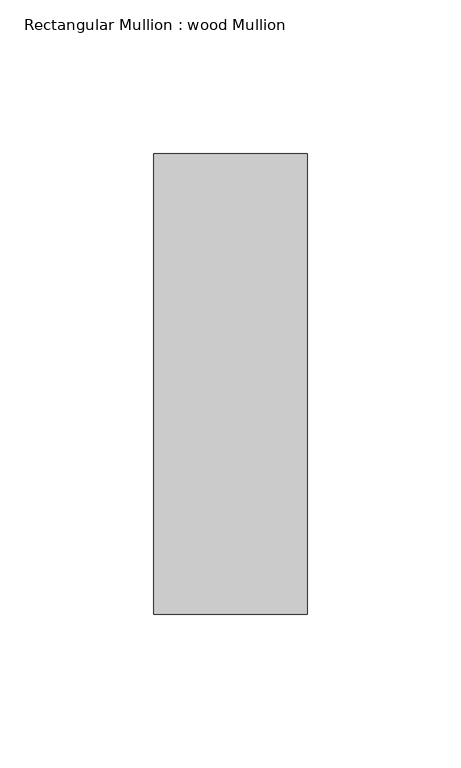
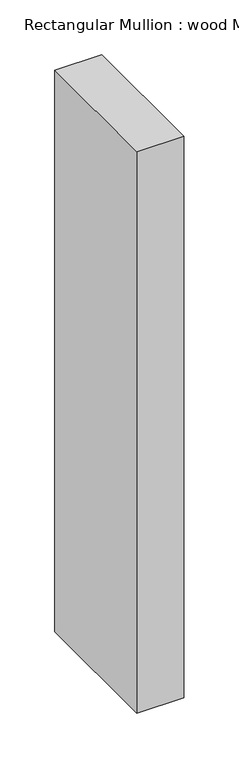
"""IFC4 building model written with IfcOpenShell, lengths in millimetres: member geometry, Rectangular Mullion : wood Mullion."""

import ifcopenshell
import ifcopenshell.guid

model = None  # the IFC model being written
_history = None  # IfcOwnerHistory: only IFC2X3 demands one
_inside = {}  # id of a spatial element -> (the spatial element, [elements in it])
_under = {}  # id of a project, library or spatial element -> (it, [spatial elements below it])
_declared = {}  # id of a project -> (the project, [libraries it declares])
_typed = {}  # id of a type object -> (the type object, [elements of that type])
_made_of = {}  # id of a material, layer set ... -> (it, [elements and type objects made of it])


def new_model(schema):
    """Start an empty IFC model of exactly this schema.

    Asked for "IFC4X3", IfcOpenShell would pick the latest addendum, in which some entities
    have other attributes; the version numbers below select the first issue.
    IFC2X3 requires an IfcOwnerHistory on every rooted entity: one is made here for all.
    """
    global model, _history
    if schema == "IFC4X3":
        model = ifcopenshell.file(schema_version=(4, 3, 0, 0))
    else:
        model = ifcopenshell.file(schema=schema)
    _inside.clear()
    _under.clear()
    _declared.clear()
    _typed.clear()
    _made_of.clear()
    _history = None
    if model.schema == "IFC2X3":
        org = make("IfcOrganization", Name="unknown")
        user = make(
            "IfcPersonAndOrganization",
            ThePerson=make("IfcPerson", FamilyName="unknown"),
            TheOrganization=org,
        )
        app = make(
            "IfcApplication",
            ApplicationDeveloper=org,
            Version="unknown",
            ApplicationFullName="unknown",
            ApplicationIdentifier="unknown",
        )
        _history = make(
            "IfcOwnerHistory",
            OwningUser=user,
            OwningApplication=app,
            ChangeAction="ADDED",
            CreationDate=0,
        )
    return model


def make(cls, **values):
    """One entity of the class cls with the attributes given. An attribute that is None is left unset."""
    return model.create_entity(
        cls, **{name: value for name, value in values.items() if value is not None}
    )


def rooted(cls, **values):
    """An entity with a GlobalId (a new one), such as an element, a storey or a relation."""
    return make(cls, GlobalId=ifcopenshell.guid.new(), OwnerHistory=_history, **values)


def si_unit(unit_type, name, prefix=None):
    """IfcSIUnit, for example si_unit("LENGTHUNIT", "METRE", prefix="MILLI")."""
    return make("IfcSIUnit", UnitType=unit_type, Prefix=prefix, Name=name)


def assignment(units):
    """IfcUnitAssignment: the units of a project."""
    return None if units is None else make("IfcUnitAssignment", Units=units)


def point(xyz):
    """IfcCartesianPoint."""
    return None if xyz is None else make("IfcCartesianPoint", Coordinates=xyz)


def direction(xyz):
    """IfcDirection."""
    return None if xyz is None else make("IfcDirection", DirectionRatios=xyz)


def frame(location, z_axis=None, x_axis=None):
    """IfcAxis2Placement3D, a coordinate frame: its origin and axes. An axis left out is left unset."""
    return make(
        "IfcAxis2Placement3D",
        Location=point(location),
        Axis=direction(z_axis),
        RefDirection=direction(x_axis),
    )


def origin():
    """The frame at (0, 0, 0) with its axes left unset."""
    return frame((0.0, 0.0, 0.0))


def place(relative_to, where):
    """IfcLocalPlacement: puts the frame where relative to a parent placement (None: the world)."""
    return make(
        "IfcLocalPlacement", PlacementRelTo=relative_to, RelativePlacement=where
    )


def context(
    kind, dimensions, precision=None, world=None, true_north=None, identifier=None
):
    """IfcGeometricRepresentationContext, for example the 3D "Model" context."""
    return make(
        "IfcGeometricRepresentationContext",
        ContextIdentifier=identifier,
        ContextType=kind,
        CoordinateSpaceDimension=dimensions,
        Precision=precision,
        WorldCoordinateSystem=world,
        TrueNorth=true_north,
    )


def project(units=None, contexts=None):
    """IfcProject with its units and contexts."""
    return rooted(
        "IfcProject",
        Name="project",
        RepresentationContexts=contexts,
        UnitsInContext=assignment(units),
    )


def spatial(cls, under=None, at=None, **own):
    """A site, building, storey or space (cls), placed at a placement, below another one or the project."""
    s = rooted(cls, ObjectPlacement=at, **own)
    if under is not None:
        _under.setdefault(under.id(), (under, []))[1].append(s)
    return s


def polyline(points):
    """IfcPolyline through the points."""
    return make("IfcPolyline", Points=[point(p) for p in points])


def outline(outer, holes=None, kind="AREA"):
    """IfcArbitraryClosedProfileDef: a profile drawn as a closed curve; with holes, ...WithVoids."""
    if holes is None:
        return make("IfcArbitraryClosedProfileDef", ProfileType=kind, OuterCurve=outer)
    return make(
        "IfcArbitraryProfileDefWithVoids",
        ProfileType=kind,
        OuterCurve=outer,
        InnerCurves=holes,
    )


def extrude(swept, where, along, depth):
    """IfcExtrudedAreaSolid: the profile swept, set in the frame where, extruded along a direction by depth."""
    return make(
        "IfcExtrudedAreaSolid",
        SweptArea=swept,
        Position=where,
        ExtrudedDirection=direction(along),
        Depth=depth,
    )


def shape(context_of_items, identifier, shape_type, items):
    """IfcShapeRepresentation: the items that make up one representation, for example the "Body"."""
    return make(
        "IfcShapeRepresentation",
        ContextOfItems=context_of_items,
        RepresentationIdentifier=identifier,
        RepresentationType=shape_type,
        Items=items,
    )


def source(mapping_origin, context_of_items, identifier, shape_type, items):
    """IfcRepresentationMap: a shape defined once, which mapped items show again and again."""
    return make(
        "IfcRepresentationMap",
        MappingOrigin=mapping_origin,
        MappedRepresentation=shape(context_of_items, identifier, shape_type, items),
    )


def transform(
    local_origin,
    x_axis=None,
    y_axis=None,
    z_axis=None,
    scale=None,
    scale2=None,
    scale3=None,
    uniform=True,
):
    """IfcCartesianTransformationOperator3D, or its non-uniform kind. x_axis, y_axis, z_axis: its Axis1, 2, 3."""
    if uniform:
        return make(
            "IfcCartesianTransformationOperator3D",
            Axis1=direction(x_axis),
            Axis2=direction(y_axis),
            LocalOrigin=point(local_origin),
            Scale=scale,
            Axis3=direction(z_axis),
        )
    return make(
        "IfcCartesianTransformationOperator3DnonUniform",
        Axis1=direction(x_axis),
        Axis2=direction(y_axis),
        LocalOrigin=point(local_origin),
        Scale=scale,
        Axis3=direction(z_axis),
        Scale2=scale2,
        Scale3=scale3,
    )


def mapped(mapping_source, mapping_target):
    """IfcMappedItem: shows the shape of a source again, moved by a transform."""
    return make(
        "IfcMappedItem", MappingSource=mapping_source, MappingTarget=mapping_target
    )


def made_of(thing, what):
    """Note that an element or type object is made of a material, layer set ...; save() writes the relation."""
    if what is not None:
        _made_of.setdefault(what.id(), (what, []))[1].append(thing)
    return thing


def element(
    cls,
    number,
    at=None,
    inside=None,
    cuts=None,
    type_object=None,
    material=None,
    context=None,
    identifier="Body",
    shape_type=None,
    held_by="IfcProductDefinitionShape",
    body=None,
    shapes=None,
    **own,
):
    """One element of the class cls, such as IfcWall. Its Tag is "e" and its number.

    at: its placement. inside: the storey or other place that contains it. cuts: it is an
    opening in that element (IfcRelVoidsElement). A single representation is given by context,
    identifier, shape_type and body (its items); several are given by shapes. held_by: the class
    of the entity that holds the representations. save() writes the other relations.
    """
    e = rooted(cls, Tag="e%d" % number, ObjectPlacement=at, **own)
    if body is not None:
        shapes = [shape(context, identifier, shape_type, body)]
    if shapes is not None:
        e.Representation = make(held_by, Representations=shapes)
    if inside is not None:
        _inside.setdefault(inside.id(), (inside, []))[1].append(e)
    if cuts is not None:
        rooted(
            "IfcRelVoidsElement", RelatingBuildingElement=cuts, RelatedOpeningElement=e
        )
    if type_object is not None:
        _typed.setdefault(type_object.id(), (type_object, []))[1].append(e)
    return made_of(e, material)


def aggregate(whole, parts):
    """IfcRelAggregates: a whole, such as a stair, and the parts it consists of."""
    return rooted("IfcRelAggregates", RelatingObject=whole, RelatedObjects=parts)


def save(model, path):
    """Write the relations noted so far, then the file.

    IfcRelAggregates (storeys below a building ...), IfcRelContainedInSpatialStructure (elements
    in a storey), IfcRelDefinesByType, IfcRelAssociatesMaterial and IfcRelDeclares: one each for
    every whole, place, type object, material and project.
    """
    for whole, parts in _under.values():
        aggregate(whole, parts)
    for where, things in _inside.values():
        rooted(
            "IfcRelContainedInSpatialStructure",
            RelatedElements=things,
            RelatingStructure=where,
        )
    for kind, things in _typed.values():
        rooted("IfcRelDefinesByType", RelatedObjects=things, RelatingType=kind)
    for what, things in _made_of.values():
        rooted("IfcRelAssociatesMaterial", RelatedObjects=things, RelatingMaterial=what)
    for by, libraries in _declared.values():
        rooted("IfcRelDeclares", RelatingContext=by, RelatedDefinitions=libraries)
    model.write(path)


def rectangular_mullion_wood_mullion_ff769d91(model_context):
    return source(origin(), model_context, "Body", "SweptSolid", [
        extrude(outline(polyline([(25.0, 75.0), (25.0, -75.0), (-25.0, -75.0), (-25.0, 75.0), (25.0, 75.0)])), frame((0.0, 0.0, -627.4999999), z_axis=(0.0, 0.0, 1.0), x_axis=(1.0, 0.0, 0.0)), (0.0, 0.0, 1.0), 627.4999999),
    ])


if __name__ == "__main__":
    model = new_model("IFC4")
    model_context = context("Model", 3, world=origin())
    ifc_project = project(units=[si_unit("LENGTHUNIT", "METRE", prefix="MILLI")], contexts=[model_context])
    site = spatial("IfcSite", under=ifc_project)
    building = spatial("IfcBuilding", under=site)
    placement = place(None, origin())
    rectangular_mullion_wood_mullion_shape = rectangular_mullion_wood_mullion_ff769d91(model_context)
    element("IfcMember", 1, ObjectType="Rectangular Mullion : wood Mullion", at=placement, inside=building, context=model_context, shape_type="MappedRepresentation", body=[
        mapped(rectangular_mullion_wood_mullion_shape, transform((0.0, 0.0, 0.0), x_axis=(1.0, 0.0, 0.0), y_axis=(0.0, 1.0, 0.0), z_axis=(0.0, 0.0, 1.0))),
    ])
    save(model, "model.ifc")
